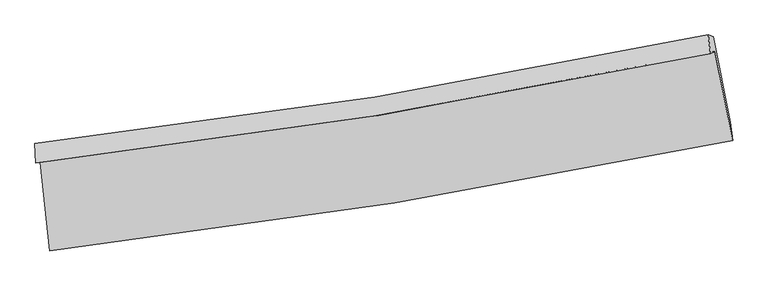
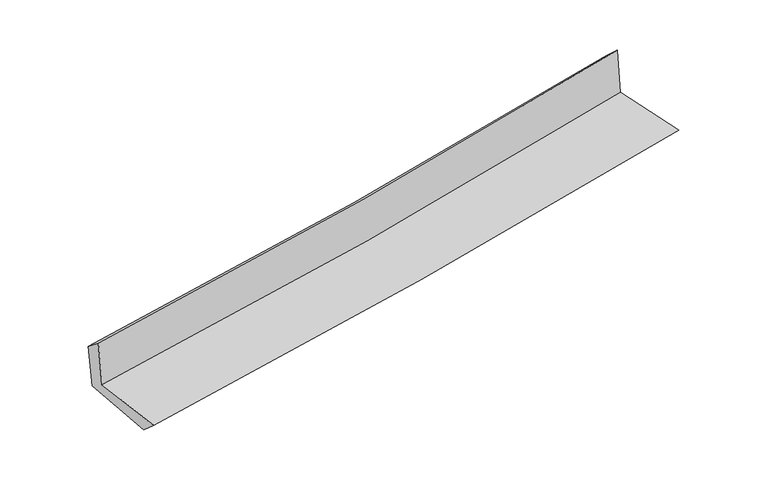
"""IFC4 building model written with IfcOpenShell, lengths in millimetres: proxy geometry."""

from ifc_helpers import new_model, si_unit, frame, origin, place, context, project, spatial, source, transform, mapped, element, save
from ifc_brep_helpers import plane_surface, spline_curve, spline_surface, advanced_brep


def generic_models_13b74222(model_context):
    return source(origin(), model_context, "Body", "AdvancedBrep", [
        advanced_brep(
        [(-2574.2323406, -1891.3227995, 1651.5463276), (-2502.0009264, -2560.2558315, 1649.7677191), (2641.4536583, -1728.1625015, 2116.1594118), (2508.5888453, -1058.3988319, 2112.6971135), (-2608.9999197, -1896.1444644, 2053.0172027), (2474.0346174, -1070.9987892, 2529.1502676), (-2614.7271061, -1750.9134099, 1940.1441118), (2457.6882322, -930.720775, 2399.4044305), (-2580.8402084, -1753.7085737, 1558.030149), (2494.1694015, -942.6459298, 2016.0962942), (-2506.3814499, -2417.8997925, 1525.0976429), (2625.0108754, -1588.2325595, 1988.274566)],
        [
            (0, 1),
            (1, 2, spline_curve(3, [(-2502.0009264, -2560.2558315, 1649.7677191), (-1634.101946883, -2457.336270021, 1734.481072523), (-768.903936679, -2335.994726282, 1815.923407528), (945.515098135, -2058.181309736, 1971.307585229), (1794.801949422, -1902.158410345, 2045.329147586), (2641.4536583, -1728.1625015, 2116.1594118)], [4, 2, 4], [0.0, 8.587518978020062, 17.06974667930483])),
            (2, 3),
            (3, 0, spline_curve(3, [(2508.5888453, -1058.3988319, 2112.6971135), (1673.06800136, -1238.643678757, 2042.755738117), (834.371552836, -1397.878688628, 1969.612732235), (-859.822847818, -1676.044845799, 1815.97578194), (-1715.400128027, -1794.451158276, 1735.401858867), (-2574.2323406, -1891.3227995, 1651.5463276)], [4, 2, 4], [0.0, 8.482227701284769, 17.06974667930483])),
            (4, 0),
            (3, 5),
            (5, 4, spline_curve(3, [(2474.0346174, -1070.9987892, 2529.1502676), (1638.40731701, -1247.362486415, 2451.733155296), (799.639751657, -1404.00473204, 2373.59605642), (-894.626648956, -1679.545940724, 2214.903020514), (-1750.203929162, -1797.952253328, 2134.329097486), (-2608.9999197, -1896.1444644, 2053.0172027)], [4, 2, 4], [0.0, 8.433843050449848, 16.972376771067918])),
            (6, 4),
            (5, 7),
            (7, 6, spline_curve(3, [(2457.6882322, -930.720775, 2399.4044305), (1623.662563578, -1108.377465843, 2329.680745539), (786.574803556, -1265.262518751, 2256.802857882), (-904.153816975, -1539.17894789, 2103.794878372), (-1757.87116948, -1655.69143962, 2023.585992975), (-2614.7271061, -1750.9134099, 1940.1441118)], [4, 2, 4], [0.0, 8.423674265868202, 16.95191297512209])),
            (8, 6),
            (7, 9),
            (9, 8, spline_curve(3, [(2494.1694015, -942.6459298, 2016.0962942), (1659.11668091, -1115.722840351, 1946.420444123), (821.298696579, -1269.552403346, 1873.664911799), (-870.302095814, -1540.387424453, 1721.053128511), (-1724.153981559, -1656.91207625, 1641.119945449), (-2580.8402084, -1753.7085737, 1558.030149)], [4, 2, 4], [0.0, 8.414070162801115, 16.93258555168918])),
            (10, 8),
            (9, 11),
            (11, 10, spline_curve(3, [(2625.0108754, -1588.2325595, 1988.274566), (1780.288223338, -1761.480648191, 1918.069353791), (932.964675841, -1916.927643254, 1844.626847522), (-777.434461058, -2193.928066178, 1690.315408808), (-1640.575021922, -2315.036815658, 1609.365607182), (-2506.3814499, -2417.8997925, 1525.0976429)], [4, 2, 4], [0.0, 8.462436647551705, 17.029918902258864])),
            (1, 10),
            (11, 2),
        ],
        [
            spline_surface(3, 3, [[(-2574.2323406, -1891.3227995, 1651.5463276), (-1715.400128059, -1794.451158365, 1735.401858902), (-859.822847848, -1676.044845683, 1815.975781805), (834.371552866, -1397.878688744, 1969.612732369), (1673.068001309, -1238.643678885, 2042.75573814), (2508.5888453, -1058.3988319, 2112.6971135)], [(-2550.155202543, -2114.300476843, 1650.953458097), (-1688.300734302, -2015.412862276, 1735.094930097), (-829.516544119, -1896.028139227, 1815.95832372), (871.419401232, -1617.97956242, 1970.177683293), (1713.64598402, -1459.815255986, 2043.613541322), (2552.877116308, -1281.65338842, 2113.851212928)], [(-2526.078064457, -2337.278154157, 1650.360588603), (-1661.201340516, -2236.374566158, 1734.788001302), (-799.210240313, -2116.011432737, 1815.940865668), (908.467249675, -1838.080436061, 1970.74263425), (1754.223966707, -1680.986833127, 2044.471344521), (2597.165387292, -1504.90794498, 2115.005312372)], [(-2502.0009264, -2560.2558315, 1649.7677191), (-1634.101946759, -2457.336270069, 1734.481072497), (-768.903936584, -2335.994726281, 1815.923407583), (945.515098041, -2058.181309737, 1971.307585174), (1794.801949418, -1902.158410228, 2045.329147703), (2641.4536583, -1728.1625015, 2116.1594118)]], [4, 4], [4, 2, 4], [0.0, 2.190920818925387], [0.0, 8.587518978020062, 17.06974667930483]),
            spline_surface(3, 3, [[(-2608.9999197, -1896.1444644, 2053.0172027), (-1750.203929159, -1797.952253266, 2134.329097526), (-894.626648948, -1679.545940583, 2214.903020429), (799.639751649, -1404.00473218, 2373.596056504), (1638.407317102, -1247.362486458, 2451.733155238), (2474.0346174, -1070.9987892, 2529.1502676)], [(-2597.410726662, -1894.537242767, 1919.193577665), (-1738.60266212, -1796.785221632, 2001.353351317), (-883.02538191, -1678.378908949, 2081.92727422), (811.217018726, -1401.962717701, 2238.934948458), (1649.960878481, -1244.456217269, 2315.407349518), (2485.552693343, -1066.798803436, 2390.332549546)], [(-2585.821533638, -1892.930021133, 1785.369952635), (-1727.001395097, -1795.618189999, 1868.377605111), (-871.424114886, -1677.211877316, 1948.951528014), (822.794285789, -1399.920703222, 2104.273840415), (1661.51443993, -1241.549948074, 2179.08154386), (2497.070769357, -1062.598817664, 2251.514831554)], [(-2574.2323406, -1891.3227995, 1651.5463276), (-1715.400128059, -1794.451158365, 1735.401858902), (-859.822847848, -1676.044845683, 1815.975781805), (834.371552866, -1397.878688744, 1969.612732369), (1673.068001309, -1238.643678885, 2042.75573814), (2508.5888453, -1058.3988319, 2112.6971135)]], [4, 4], [4, 2, 4], [0.0, 1.3220334790306412], [0.0, 8.53853372061807, 16.972376771067918]),
            spline_surface(3, 3, [[(-2614.7271061, -1750.9134099, 1940.1441118), (-1757.871169588, -1655.691439727, 2023.585993054), (-904.153816935, -1539.178947848, 2103.794878333), (786.574803516, -1265.262518792, 2256.802857921), (1623.662563639, -1108.377465711, 2329.68074559), (2457.6882322, -930.720775, 2399.4044305)], [(-2612.818043974, -1799.323761397, 1977.768475435), (-1755.315422786, -1703.111710904, 2060.500361213), (-900.978094275, -1585.967945409, 2140.830925721), (790.929786224, -1311.509923237, 2295.733924138), (1628.577481476, -1154.705805963, 2370.364882164), (2463.137027282, -977.480113069, 2442.653042891)], [(-2610.908981826, -1847.734112903, 2015.392839065), (-1752.759675961, -1750.531982089, 2097.414729367), (-897.802371608, -1632.756943023, 2177.86697304), (795.284768941, -1357.757327735, 2334.664990286), (1633.492399265, -1201.034146207, 2411.049018664), (2468.585822318, -1024.239451131, 2485.901655209)], [(-2608.9999197, -1896.1444644, 2053.0172027), (-1750.203929159, -1797.952253266, 2134.329097526), (-894.626648948, -1679.545940583, 2214.903020429), (799.639751649, -1404.00473218, 2373.596056504), (1638.407317102, -1247.362486458, 2451.733155238), (2474.0346174, -1070.9987892, 2529.1502676)]], [4, 4], [4, 2, 4], [0.0, 0.5922098264379783], [0.0, 8.52823870925389, 16.95191297512209]),
            spline_surface(3, 3, [[(-2580.8402084, -1753.7085737, 1558.030149), (-1724.153981664, -1656.912076344, 1641.119945576), (-870.302095879, -1540.387424568, 1721.053128495), (821.298696644, -1269.552403232, 1873.664911814), (1659.116680862, -1115.722840389, 1946.420444), (2494.1694015, -942.6459298, 2016.0962942)], [(-2592.135840969, -1752.776852428, 1685.401469927), (-1735.393044307, -1656.505197466, 1768.608628063), (-881.586002884, -1539.984598991, 1848.633711772), (809.724065615, -1268.122441748, 2001.377560514), (1647.298641799, -1113.274382161, 2074.173877852), (2482.009011744, -938.670878198, 2143.865672955)], [(-2603.431473531, -1751.845131172, 1812.772790873), (-1746.632106945, -1656.098318605, 1896.097310567), (-892.869909929, -1539.581773426, 1976.214295056), (798.149434545, -1266.692480276, 2129.090209222), (1635.480602703, -1110.825923939, 2201.927311738), (2469.848621956, -934.695826602, 2271.635051745)], [(-2614.7271061, -1750.9134099, 1940.1441118), (-1757.871169588, -1655.691439727, 2023.585993054), (-904.153816935, -1539.178947848, 2103.794878333), (786.574803516, -1265.262518792, 2256.802857921), (1623.662563639, -1108.377465711, 2329.68074559), (2457.6882322, -930.720775, 2399.4044305)]], [4, 4], [4, 2, 4], [0.0, 1.2614127168111717], [0.0, 8.518515388888064, 16.93258555168918]),
            spline_surface(3, 3, [[(-2506.3814499, -2417.8997925, 1525.0976429), (-1640.575022012, -2315.036815641, 1609.365607238), (-777.434461091, -2193.928066228, 1690.315408772), (932.964675874, -1916.927643205, 1844.626847557), (1780.288223433, -1761.480648308, 1918.069353679), (2625.0108754, -1588.2325595, 1988.274566)], [(-2531.20103607, -2196.502719565, 1536.075144966), (-1668.434675233, -2095.66190254, 1619.950386717), (-808.390339356, -1976.081185687, 1700.561315336), (895.742682795, -1701.13589656, 1854.3062023), (1739.897709244, -1546.22804567, 1927.519717111), (2581.397050768, -1373.037016269, 1997.548475391)], [(-2556.02062223, -1975.105646635, 1547.052646934), (-1696.294328443, -1876.286989445, 1630.535166098), (-839.346217614, -1758.234305108, 1710.807221931), (858.520689723, -1485.344149877, 1863.985557072), (1699.507195051, -1330.975443027, 1936.970080569), (2537.783226132, -1157.841473031, 2006.822384809)], [(-2580.8402084, -1753.7085737, 1558.030149), (-1724.153981664, -1656.912076344, 1641.119945576), (-870.302095879, -1540.387424568, 1721.053128495), (821.298696644, -1269.552403232, 1873.664911814), (1659.116680862, -1115.722840389, 1946.420444), (2494.1694015, -942.6459298, 2016.0962942)]], [4, 4], [4, 2, 4], [0.0, 2.1625537149856013], [0.0, 8.567482254707159, 17.029918902258864]),
            spline_surface(3, 3, [[(-2502.0009264, -2560.2558315, 1649.7677191), (-1634.101946759, -2457.336270069, 1734.481072497), (-768.903936584, -2335.994726281, 1815.923407583), (945.515098041, -2058.181309737, 1971.307585174), (1794.801949418, -1902.158410228, 2045.329147703), (2641.4536583, -1728.1625015, 2116.1594118)], [(-2503.461100882, -2512.803818501, 1608.211027009), (-1636.259638492, -2409.903118594, 1692.775917387), (-771.747444741, -2288.639172928, 1774.054074648), (941.331623998, -2011.096754224, 1929.080672637), (1789.964040744, -1855.26582293, 2002.909216383), (2635.972730654, -1681.519187508, 2073.531129888)], [(-2504.921275418, -2465.351805499, 1566.654334991), (-1638.417330279, -2362.469967116, 1651.070762349), (-774.590952934, -2241.283619581, 1732.184741707), (937.148149918, -1964.012198718, 1886.853760095), (1785.126132107, -1808.373235606, 1960.489284999), (2630.491803046, -1634.875873492, 2030.902847912)], [(-2506.3814499, -2417.8997925, 1525.0976429), (-1640.575022012, -2315.036815641, 1609.365607238), (-777.434461091, -2193.928066228, 1690.315408772), (932.964675874, -1916.927643205, 1844.626847557), (1780.288223433, -1761.480648308, 1918.069353679), (2625.0108754, -1588.2325595, 1988.274566)]], [4, 4], [4, 2, 4], [0.0, 0.6232760863129795], [0.0, 8.626181691214246, 17.14659806348791]),
            plane_surface(frame((2533.4909383, -1219.8598978, 2193.6303473), z_axis=(0.9770851183977803, 0.19427938851319315, 0.08694935655043884), x_axis=(-0.09470096727016172, 0.03095634590791923, 0.9950243371124774))),
            plane_surface(frame((-2564.5303252, -2045.0408119, 1729.6005255), z_axis=(-0.9904706043911429, -0.10671957997979131, -0.08705695311680227), x_axis=(-0.10735560795755383, 0.9942171721301497, 0.0026434979841610945))),
        ],
        [
            (0, [[1, 2, 3, 4]]),
            (1, [[5, -4, 6, 7]]),
            (2, [[8, -7, 9, 10]]),
            (3, [[11, -10, 12, 13]]),
            (4, [[14, -13, 15, 16]]),
            (5, [[17, -16, 18, -2]]),
            (6, [[-12, -9, -6, -3, -18, -15]]),
            (7, [[-1, -5, -8, -11, -14, -17]]),
        ],
    ),
    ])


if __name__ == "__main__":
    model = new_model("IFC4")
    model_context = context("Model", 3, world=origin())
    ifc_project = project(units=[si_unit("LENGTHUNIT", "METRE", prefix="MILLI")], contexts=[model_context])
    site = spatial("IfcSite", under=ifc_project)
    building = spatial("IfcBuilding", under=site)
    placement = place(None, origin())
    generic_models_shape = generic_models_13b74222(model_context)
    element("IfcBuildingElementProxy", 1, Name="Generic Models", at=placement, inside=building, context=model_context, shape_type="MappedRepresentation", body=[
        mapped(generic_models_shape, transform((0.0, 0.0, 0.0), x_axis=(1.0, 0.0, 0.0), y_axis=(0.0, 1.0, 0.0), z_axis=(0.0, 0.0, 1.0))),
    ])
    save(model, "model.ifc")
